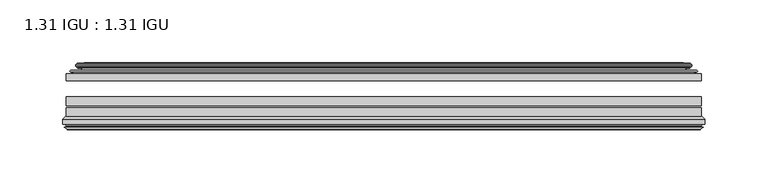
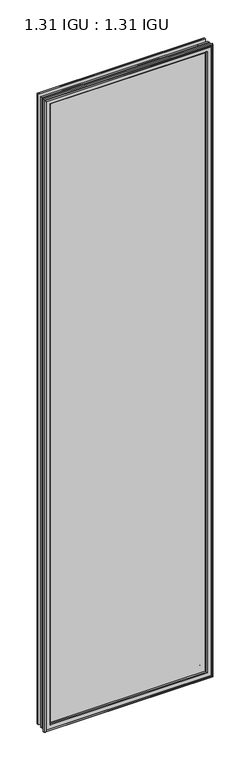
"""IFC4 building model written with IfcOpenShell, lengths in millimetres: plate geometry, 1.31 IGU : 1.31 IGU."""

from ifc_helpers import new_model, si_unit, frame, origin, place, context, project, spatial, polyline, ellipse_curve, outline, extrude, source, transform, mapped, element, save
from ifc_brep_helpers import plane_surface, cylinder_surface, revolved_surface, advanced_brep


def plate_1_31_igu_1_31_igu_3e09cf6b(model_context):
    return source(origin(), model_context, "Body", "SolidModel", [
        extrude(outline(polyline([(252.4081075, -44.8960875), (252.4081075, -50.4332875), (-252.4130426, -50.4332875), (-252.4130426, -44.8960875), (252.4081075, -44.8960875)])), frame((0.0, 0.0, -14.2875), z_axis=(0.0, 0.0, 1.0), x_axis=(1.0, 0.0, 0.0)), (0.0, 0.0, 1.0), 2009.67848),
        extrude(outline(polyline([(-252.4130426, -78.7796875), (-252.4130426, -71.7692875), (252.4081075, -71.7692875), (252.4081075, -78.7796875), (-252.4130426, -78.7796875)])), frame((0.0, 0.0, -14.2875), z_axis=(0.0, 0.0, 1.0), x_axis=(1.0, 0.0, 0.0)), (0.0, 0.0, 1.0), 2009.67848),
        extrude(outline(polyline([(-252.4130426, -70.2452875), (-252.4130426, -63.1332875), (252.4081075, -63.1332875), (252.4081075, -70.2452875), (-252.4130426, -70.2452875)])), frame((0.0, 0.0, -14.2875), z_axis=(0.0, 0.0, 1.0), x_axis=(1.0, 0.0, 0.0)), (0.0, 0.0, 1.0), 2009.67848),
        advanced_brep(
        [(-243.067718, -37.7373382, 1986.0456555), (-238.1260851, -36.3108875, 1981.1040226), (-238.1260851, -36.3108875, -0.0005426), (-243.067718, -37.7373382, -4.9421755), (-242.9026127, -36.9605789, 1985.8805502), (-242.9026127, -36.9605789, -4.7770702), (-243.4980984, -36.4771203, 1986.4760359), (-243.4980984, -36.4771203, -5.3725559), (-244.7627342, -37.766076, 1987.7406717), (-244.7627342, -37.766076, -6.6371917), (-244.7519175, -38.8797852, 1987.7298549), (-244.7519175, -38.8797852, -6.6263749), (-243.4704323, -40.1361433, 1986.4483697), (-243.4704323, -40.1361433, -5.3448897), (-242.8654254, -39.649943, 1985.8433629), (-242.8654254, -39.649943, -4.7398829), (-243.4194397, -39.0959287, 1986.3973772), (-243.4194397, -39.0959287, -5.2938972), (-241.1336313, -38.7029881, 1984.1115687), (-241.1336313, -38.7029881, -3.0080887), (-239.6745582, -40.2107282, 1982.6524957), (-239.6745582, -40.2107282, -1.5490157), (-239.9711401, -41.651269, 1982.9490776), (-239.9711401, -41.651269, -1.8455976), (-240.7423646, -42.2798875, 1983.7203021), (-240.7423646, -42.2798875, -2.6168221), (-249.0463409, -43.4871542, 1992.0242784), (-248.7711395, -42.2798875, 1991.7490769), (-248.7711395, -42.2798875, -10.6455969), (-249.0463409, -43.4871542, -10.9207984), (-245.5887723, -44.8960875, 1988.5667097), (-245.5887723, -44.8960875, -7.4632297), (-234.4911485, -44.023302, 1977.4690859), (-234.8464864, -44.8960875, 1977.8244239), (-234.8464864, -44.8960875, 3.2790561), (-234.4911485, -44.023302, 3.6343941), (-235.1623465, -43.3681812, 1978.140284), (-235.1623465, -43.3681812, 2.963196), (-236.8031371, -40.6686056, 1979.7810746), (-236.8031371, -40.6686056, 1.3224054), (238.1260851, -36.3108875, -0.0005426), (243.067718, -37.7373382, -4.9421755), (242.9026127, -36.9605789, -4.7770702), (243.4980984, -36.4771203, -5.3725559), (244.7627342, -37.766076, -6.6371917), (244.7519175, -38.8797852, -6.6263749), (243.4704323, -40.1361433, -5.3448897), (242.8654254, -39.649943, -4.7398829), (243.4194397, -39.0959287, -5.2938972), (241.1336313, -38.7029881, -3.0080887), (239.6745582, -40.2107282, -1.5490157), (239.9711401, -41.651269, -1.8455976), (240.7423646, -42.2798875, -2.6168221), (248.7711395, -42.2798875, -10.6455969), (249.0463409, -43.4871542, -10.9207984), (245.5887723, -44.8960875, -7.4632297), (234.8464864, -44.8960875, 3.2790561), (234.4911485, -44.023302, 3.6343941), (235.1623465, -43.3681812, 2.963196), (236.8031371, -40.6686056, 1.3224054), (238.1260851, -36.3108875, 1981.1040226), (243.067718, -37.7373382, 1986.0456555), (242.9026127, -36.9605789, 1985.8805502), (243.4980984, -36.4771203, 1986.4760359), (244.7627342, -37.766076, 1987.7406717), (244.7519175, -38.8797852, 1987.7298549), (243.4704323, -40.1361433, 1986.4483697), (242.8654254, -39.649943, 1985.8433629), (243.4194397, -39.0959287, 1986.3973772), (241.1336313, -38.7029881, 1984.1115687), (239.6745582, -40.2107282, 1982.6524957), (239.9711401, -41.651269, 1982.9490776), (240.7423646, -42.2798875, 1983.7203021), (248.7711395, -42.2798875, 1991.7490769), (249.0463409, -43.4871542, 1992.0242784), (245.5887723, -44.8960875, 1988.5667097), (234.8464864, -44.8960875, 1977.8244239), (234.4911485, -44.023302, 1977.4690859), (235.1623465, -43.3681812, 1978.140284), (236.8031371, -40.6686056, 1979.7810746)],
        [
            (0, 1),
            (1, 2),
            (2, 3),
            (3, 0),
            (4, 0),
            (3, 5),
            (5, 4),
            (6, 4, ellipse_curve(frame((-243.2231297, -36.746901, 1986.2010671), z_axis=(-0.7071067811865475, 0.0, -0.7071067811865475), x_axis=(-0.7071067811865474, 0.0, 0.7071067811865476)), 0.5447741, 0.3852135)),
            (5, 7, ellipse_curve(frame((-243.2231297, -36.746901, -5.0975871), z_axis=(-0.7071067811865475, 0.0, 0.7071067811865475), x_axis=(0.7071067811865474, 0.0, 0.7071067811865476)), 0.5447741, 0.3852135)),
            (7, 6),
            (8, 6),
            (7, 9),
            (9, 8),
            (10, 8, ellipse_curve(frame((-244.2006812, -38.3175243, 1987.1786187), z_axis=(-0.7071067811865475, 0.0, -0.7071067811865475), x_axis=(-0.7071067811865474, 0.0, 0.7071067811865476)), 1.1135518, 0.7874)),
            (9, 11, ellipse_curve(frame((-244.2006812, -38.3175243, -6.0751387), z_axis=(-0.7071067811865475, 0.0, 0.7071067811865475), x_axis=(0.7071067811865474, 0.0, 0.7071067811865476)), 1.1135518, 0.7874)),
            (11, 10),
            (12, 10),
            (11, 13),
            (13, 12),
            (14, 12, ellipse_curve(frame((-243.1968348, -39.8570738, 1986.1747722), z_axis=(-0.7071067811865475, 0.0, -0.7071067811865475), x_axis=(-0.7071067811865474, 0.0, 0.7071067811865476)), 0.552694, 0.3908137)),
            (13, 15, ellipse_curve(frame((-243.1968348, -39.8570738, -5.0712922), z_axis=(-0.7071067811865475, 0.0, 0.7071067811865475), x_axis=(0.7071067811865474, 0.0, 0.7071067811865476)), 0.552694, 0.3908137)),
            (15, 14),
            (16, 14),
            (15, 17),
            (17, 16),
            (18, 16),
            (17, 19),
            (19, 18),
            (20, 18, ellipse_curve(frame((-240.9184687, -39.954629, 1983.8964061), z_axis=(0.7071067811865475, 0.0, 0.7071067811865475), x_axis=(0.7071067811865474, 0.0, -0.7071067811865476)), 1.7960512, 1.27)),
            (19, 21, ellipse_curve(frame((-240.9184687, -39.954629, -2.7929261), z_axis=(0.7071067811865475, 0.0, -0.7071067811865475), x_axis=(-0.7071067811865474, 0.0, -0.7071067811865476)), 1.7960512, 1.27)),
            (21, 20),
            (22, 20),
            (21, 23),
            (23, 22),
            (24, 22, ellipse_curve(frame((-240.7423646, -41.4924875, 1983.7203021), z_axis=(0.7071067811865475, 0.0, 0.7071067811865475), x_axis=(0.7071067811865474, 0.0, -0.7071067811865476)), 1.1135518, 0.7874)),
            (23, 25, ellipse_curve(frame((-240.7423646, -41.4924875, -2.6168221), z_axis=(0.7071067811865475, 0.0, -0.7071067811865475), x_axis=(-0.7071067811865474, 0.0, -0.7071067811865476)), 1.1135518, 0.7874)),
            (25, 24),
            (26, 27, ellipse_curve(frame((-248.7711395, -42.9148875, 1991.7490769), z_axis=(-0.7071067811865475, 0.0, -0.7071067811865475), x_axis=(-0.7071067811865474, 0.0, 0.7071067811865476)), 0.8980256, 0.635)),
            (27, 28),
            (28, 29, ellipse_curve(frame((-248.7711395, -42.9148875, -10.6455969), z_axis=(-0.7071067811865475, 0.0, 0.7071067811865475), x_axis=(0.7071067811865474, 0.0, 0.7071067811865476)), 0.8980256, 0.635)),
            (29, 26),
            (30, 26),
            (29, 31),
            (31, 30),
            (32, 33, ellipse_curve(frame((-234.8464864, -44.3873602, 1977.8244239), z_axis=(-0.7071067811865475, 0.0, -0.7071067811865475), x_axis=(-0.7071067811865474, 0.0, 0.7071067811865476)), 0.719449, 0.5087273)),
            (33, 34),
            (34, 35, ellipse_curve(frame((-234.8464864, -44.3873602, 3.2790561), z_axis=(-0.7071067811865475, 0.0, 0.7071067811865475), x_axis=(0.7071067811865474, 0.0, 0.7071067811865476)), 0.719449, 0.5087273)),
            (35, 32),
            (36, 32),
            (35, 37),
            (37, 36),
            (38, 36, ellipse_curve(frame((-230.7269723, -38.823959, 1973.7049098), z_axis=(0.7071067811865475, 0.0, 0.7071067811865475), x_axis=(0.7071067811865474, 0.0, -0.7071067811865476)), 8.9802561, 6.35)),
            (37, 39, ellipse_curve(frame((-230.7269723, -38.823959, 7.3985702), z_axis=(0.7071067811865475, 0.0, -0.7071067811865475), x_axis=(-0.7071067811865474, 0.0, -0.7071067811865476)), 8.9802561, 6.35)),
            (39, 38),
            (1, 38),
            (39, 2),
            (2, 40),
            (40, 41),
            (41, 3),
            (41, 42),
            (42, 5),
            (42, 43, ellipse_curve(frame((243.2231297, -36.746901, -5.0975871), z_axis=(-0.7071067811865475, 0.0, -0.7071067811865475), x_axis=(-0.7071067811865476, 0.0, 0.7071067811865474)), 0.5447741, 0.3852135)),
            (43, 7),
            (43, 44),
            (44, 9),
            (44, 45, ellipse_curve(frame((244.2006812, -38.3175243, -6.0751387), z_axis=(-0.7071067811865475, 0.0, -0.7071067811865475), x_axis=(-0.7071067811865476, 0.0, 0.7071067811865474)), 1.1135518, 0.7874)),
            (45, 11),
            (45, 46),
            (46, 13),
            (46, 47, ellipse_curve(frame((243.1968348, -39.8570738, -5.0712922), z_axis=(-0.7071067811865475, 0.0, -0.7071067811865475), x_axis=(-0.7071067811865476, 0.0, 0.7071067811865474)), 0.552694, 0.3908137)),
            (47, 15),
            (47, 48),
            (48, 17),
            (48, 49),
            (49, 19),
            (49, 50, ellipse_curve(frame((240.9184687, -39.954629, -2.7929261), z_axis=(0.7071067811865475, 0.0, 0.7071067811865475), x_axis=(0.7071067811865476, 0.0, -0.7071067811865474)), 1.7960512, 1.27)),
            (50, 21),
            (50, 51),
            (51, 23),
            (51, 52, ellipse_curve(frame((240.7423646, -41.4924875, -2.6168221), z_axis=(0.7071067811865475, 0.0, 0.7071067811865475), x_axis=(0.7071067811865476, 0.0, -0.7071067811865474)), 1.1135518, 0.7874)),
            (52, 25),
            (28, 53),
            (53, 54, ellipse_curve(frame((248.7711395, -42.9148875, -10.6455969), z_axis=(-0.7071067811865475, 0.0, -0.7071067811865475), x_axis=(-0.7071067811865476, 0.0, 0.7071067811865474)), 0.8980256, 0.635)),
            (54, 29),
            (54, 55),
            (55, 31),
            (34, 56),
            (56, 57, ellipse_curve(frame((234.8464864, -44.3873602, 3.2790561), z_axis=(-0.7071067811865475, 0.0, -0.7071067811865475), x_axis=(-0.7071067811865476, 0.0, 0.7071067811865474)), 0.719449, 0.5087273)),
            (57, 35),
            (57, 58),
            (58, 37),
            (58, 59, ellipse_curve(frame((230.7269723, -38.823959, 7.3985702), z_axis=(0.7071067811865475, 0.0, 0.7071067811865475), x_axis=(0.7071067811865476, 0.0, -0.7071067811865474)), 8.9802561, 6.35)),
            (59, 39),
            (59, 40),
            (40, 60),
            (60, 61),
            (61, 41),
            (61, 62),
            (62, 42),
            (62, 63, ellipse_curve(frame((243.2231297, -36.746901, 1986.2010671), z_axis=(0.7071067811865475, 0.0, -0.7071067811865475), x_axis=(-0.7071067811865474, 0.0, -0.7071067811865476)), 0.5447741, 0.3852135)),
            (63, 43),
            (63, 64),
            (64, 44),
            (64, 65, ellipse_curve(frame((244.2006812, -38.3175243, 1987.1786187), z_axis=(0.7071067811865475, 0.0, -0.7071067811865475), x_axis=(-0.7071067811865474, 0.0, -0.7071067811865476)), 1.1135518, 0.7874)),
            (65, 45),
            (65, 66),
            (66, 46),
            (66, 67, ellipse_curve(frame((243.1968348, -39.8570738, 1986.1747722), z_axis=(0.7071067811865475, 0.0, -0.7071067811865475), x_axis=(-0.7071067811865474, 0.0, -0.7071067811865476)), 0.552694, 0.3908137)),
            (67, 47),
            (67, 68),
            (68, 48),
            (68, 69),
            (69, 49),
            (69, 70, ellipse_curve(frame((240.9184687, -39.954629, 1983.8964061), z_axis=(-0.7071067811865475, 0.0, 0.7071067811865475), x_axis=(0.7071067811865474, 0.0, 0.7071067811865476)), 1.7960512, 1.27)),
            (70, 50),
            (70, 71),
            (71, 51),
            (71, 72, ellipse_curve(frame((240.7423646, -41.4924875, 1983.7203021), z_axis=(-0.7071067811865475, 0.0, 0.7071067811865475), x_axis=(0.7071067811865474, 0.0, 0.7071067811865476)), 1.1135518, 0.7874)),
            (72, 52),
            (53, 73),
            (73, 74, ellipse_curve(frame((248.7711395, -42.9148875, 1991.7490769), z_axis=(0.7071067811865475, 0.0, -0.7071067811865475), x_axis=(-0.7071067811865474, 0.0, -0.7071067811865476)), 0.8980256, 0.635)),
            (74, 54),
            (74, 75),
            (75, 55),
            (56, 76),
            (76, 77, ellipse_curve(frame((234.8464864, -44.3873602, 1977.8244239), z_axis=(0.7071067811865475, 0.0, -0.7071067811865475), x_axis=(-0.7071067811865474, 0.0, -0.7071067811865476)), 0.719449, 0.5087273)),
            (77, 57),
            (77, 78),
            (78, 58),
            (78, 79, ellipse_curve(frame((230.7269723, -38.823959, 1973.7049098), z_axis=(-0.7071067811865475, 0.0, 0.7071067811865475), x_axis=(0.7071067811865474, 0.0, 0.7071067811865476)), 8.9802561, 6.35)),
            (79, 59),
            (79, 60),
            (60, 1),
            (0, 61),
            (4, 62),
            (6, 63),
            (8, 64),
            (10, 65),
            (12, 66),
            (14, 67),
            (16, 68),
            (18, 69),
            (20, 70),
            (22, 71),
            (24, 72),
            (27, 73),
            (26, 74),
            (30, 75),
            (33, 76),
            (32, 77),
            (36, 78),
            (38, 79),
        ],
        [
            plane_surface(frame((-238.1260851, -36.3108875, 1981.1040226), z_axis=(-0.27733649284928547, 0.9607728502273877, 0.0), x_axis=(0.0, 0.0, -1.0))),
            plane_surface(frame((-243.067718, -37.7373382, 1986.0456555), z_axis=(0.9781476007338358, -0.20791169081761768, 0.0), x_axis=(0.0, 0.0, -1.0))),
            cylinder_surface(frame((-243.2231297, -36.746901, 2012.85348), z_axis=(0.0, 0.0, 1.0), x_axis=(-1.0, 0.0, 0.0)), 0.3852135),
            plane_surface(frame((-243.4980984, -36.4771203, 1986.4760359), z_axis=(-0.7138087599382162, 0.7003406701280928, 0.0), x_axis=(0.0, 0.0, -1.0))),
            cylinder_surface(frame((-244.2006812, -38.3175243, 2012.85348), z_axis=(0.0, 0.0, 1.0), x_axis=(-1.0, 0.0, 0.0)), 0.7874),
            plane_surface(frame((-244.7519175, -38.8797852, 1987.7298549), z_axis=(-0.7000714109283732, -0.7140728391423082, 0.0), x_axis=(0.0, 0.0, -1.0))),
            cylinder_surface(frame((-243.1968348, -39.8570738, 2012.85348), z_axis=(0.0, 0.0, 1.0), x_axis=(-1.0, 0.0, 0.0)), 0.3908137),
            plane_surface(frame((-242.8654254, -39.649943, 1985.8433629), z_axis=(0.7071067811861125, 0.7071067811869827, 0.0), x_axis=(0.0, 0.0, -1.0))),
            plane_surface(frame((-243.4194397, -39.0959287, 1986.3973772), z_axis=(0.16941940671011485, -0.9855440449974789, 0.0), x_axis=(0.0, 0.0, -1.0))),
            revolved_surface(polyline([(-242.18846870000002, -39.954629, -4.062926082878221), (-242.18846870000002, -39.954629, 1985.1664060828782)]), (-240.9184687, -39.954629, 2012.85348), (0.0, 0.0, -1.0)),
            plane_surface(frame((-239.6745582, -40.2107282, 1982.6524957), z_axis=(-0.9794570432566897, 0.20165292067030197, 0.0), x_axis=(0.0, 0.0, -1.0))),
            revolved_surface(polyline([(-241.5297646, -41.4924875, -3.4042221289826102), (-241.5297646, -41.4924875, 1984.5077021289826)]), (-240.7423646, -41.4924875, 2012.85348), (0.0, 0.0, -1.0)),
            cylinder_surface(frame((-248.7711395, -42.9148875, 2012.85348), z_axis=(0.0, 0.0, 1.0), x_axis=(-1.0, 0.0, 0.0)), 0.635),
            plane_surface(frame((-249.0463409, -43.4871542, 1992.0242784), z_axis=(-0.3773644754275793, -0.9260648209954139, 0.0), x_axis=(0.0, 0.0, -1.0))),
            cylinder_surface(frame((-234.8464864, -44.3873602, 2012.85348), z_axis=(0.0, 0.0, 1.0), x_axis=(-1.0, 0.0, 0.0)), 0.5087273),
            plane_surface(frame((-234.4911485, -44.023302, 1977.4690859), z_axis=(0.698484125849927, 0.7156255486884628, 0.0), x_axis=(0.0, 0.0, -1.0))),
            revolved_surface(polyline([(-237.0769723, -38.823959, 1.0485702148980636), (-237.0769723, -38.823959, 1980.054909785102)]), (-230.7269723, -38.823959, 2012.85348), (0.0, 0.0, -1.0)),
            plane_surface(frame((-236.8031371, -40.6686056, 1979.7810746), z_axis=(0.9568763473517009, 0.2904955350411896, 0.0), x_axis=(0.0, 0.0, -1.0))),
            plane_surface(frame((-238.1260851, -36.3108875, -0.0005426), z_axis=(0.0, 0.9607728502273868, -0.2773364928492885), x_axis=(1.0, 0.0, 0.0))),
            plane_surface(frame((-243.067718, -37.7373382, -4.9421755), z_axis=(0.0, -0.20791169081761454, 0.9781476007338364), x_axis=(1.0, 0.0, 0.0))),
            cylinder_surface(frame((-269.8755426, -36.746901, -5.0975871), z_axis=(-1.0, 0.0, 0.0), x_axis=(0.0, 0.0, -1.0)), 0.3852135),
            plane_surface(frame((-243.4980984, -36.4771203, -5.3725559), z_axis=(0.0, 0.7003406701280904, -0.7138087599382185), x_axis=(1.0, 0.0, 0.0))),
            cylinder_surface(frame((-269.8755426, -38.3175243, -6.0751387), z_axis=(-1.0, 0.0, 0.0), x_axis=(0.0, 0.0, -1.0)), 0.7874),
            plane_surface(frame((-244.7519175, -38.8797852, -6.6263749), z_axis=(0.0, -0.7140728391423105, -0.7000714109283709), x_axis=(1.0, 0.0, 0.0))),
            cylinder_surface(frame((-269.8755426, -39.8570738, -5.0712922), z_axis=(-1.0, 0.0, 0.0), x_axis=(0.0, 0.0, -1.0)), 0.3908137),
            plane_surface(frame((-242.8654254, -39.649943, -4.7398829), z_axis=(0.0, 0.7071067811869849, 0.7071067811861103), x_axis=(1.0, 0.0, 0.0))),
            plane_surface(frame((-243.4194397, -39.0959287, -5.2938972), z_axis=(0.0, -0.9855440449974784, 0.16941940671011801), x_axis=(1.0, 0.0, 0.0))),
            revolved_surface(polyline([(242.18846868287824, -39.954629, -4.0629261), (-242.18846868287824, -39.954629, -4.0629261)]), (-269.8755426, -39.954629, -2.7929261), (1.0, 0.0, 0.0)),
            plane_surface(frame((-239.6745582, -40.2107282, -1.5490157), z_axis=(0.0, 0.20165292067029883, -0.9794570432566904), x_axis=(1.0, 0.0, 0.0))),
            revolved_surface(polyline([(241.52976462898243, -41.4924875, -3.4042220999999997), (-241.5297646289825, -41.4924875, -3.4042220999999997)]), (-269.8755426, -41.4924875, -2.6168221), (1.0, 0.0, 0.0)),
            cylinder_surface(frame((-269.8755426, -42.9148875, -10.6455969), z_axis=(-1.0, 0.0, 0.0), x_axis=(0.0, 0.0, -1.0)), 0.635),
            plane_surface(frame((-249.0463409, -43.4871542, -10.9207984), z_axis=(0.0, -0.9260648209954151, -0.37736447542757634), x_axis=(1.0, 0.0, 0.0))),
            cylinder_surface(frame((-269.8755426, -44.3873602, 3.2790561), z_axis=(-1.0, 0.0, 0.0), x_axis=(0.0, 0.0, -1.0)), 0.5087273),
            plane_surface(frame((-234.4911485, -44.023302, 3.6343941), z_axis=(0.0, 0.7156255486884651, 0.6984841258499247), x_axis=(1.0, 0.0, 0.0))),
            revolved_surface(polyline([(237.07697228510187, -38.823959, 1.0485702000000003), (-237.07697228510187, -38.823959, 1.0485702000000003)]), (-269.8755426, -38.823959, 7.3985702), (1.0, 0.0, 0.0)),
            plane_surface(frame((-236.8031371, -40.6686056, 1.3224054), z_axis=(0.0, 0.29049553504119263, 0.9568763473517), x_axis=(1.0, 0.0, 0.0))),
            plane_surface(frame((238.1260851, -36.3108875, -0.0005426), z_axis=(0.27733649284929157, 0.9607728502273859, 0.0), x_axis=(0.0, 0.0, 1.0))),
            plane_surface(frame((243.067718, -37.7373382, -4.9421755), z_axis=(-0.9781476007338371, -0.2079116908176114, 0.0), x_axis=(0.0, 0.0, 1.0))),
            cylinder_surface(frame((243.2231297, -36.746901, -31.75), z_axis=(0.0, 0.0, -1.0), x_axis=(1.0, 0.0, 0.0)), 0.3852135),
            plane_surface(frame((243.4980984, -36.4771203, -5.3725559), z_axis=(0.7138087599382208, 0.7003406701280882, 0.0), x_axis=(0.0, 0.0, 1.0))),
            cylinder_surface(frame((244.2006812, -38.3175243, -31.75), z_axis=(0.0, 0.0, -1.0), x_axis=(1.0, 0.0, 0.0)), 0.7874),
            plane_surface(frame((244.7519175, -38.8797852, -6.6263749), z_axis=(0.7000714109283687, -0.7140728391423128, 0.0), x_axis=(0.0, 0.0, 1.0))),
            cylinder_surface(frame((243.1968348, -39.8570738, -31.75), z_axis=(0.0, 0.0, -1.0), x_axis=(1.0, 0.0, 0.0)), 0.3908137),
            plane_surface(frame((242.8654254, -39.649943, -4.7398829), z_axis=(-0.707106781186108, 0.7071067811869871, 0.0), x_axis=(0.0, 0.0, 1.0))),
            plane_surface(frame((243.4194397, -39.0959287, -5.2938972), z_axis=(-0.16941940671012118, -0.9855440449974778, 0.0), x_axis=(0.0, 0.0, 1.0))),
            revolved_surface(polyline([(242.18846870000002, -39.954629, 1985.1664060828782), (242.18846870000002, -39.954629, -4.062926082878235)]), (240.9184687, -39.954629, -31.75), (0.0, 0.0, 1.0)),
            plane_surface(frame((239.6745582, -40.2107282, -1.5490157), z_axis=(0.979457043256691, 0.2016529206702957, 0.0), x_axis=(0.0, 0.0, 1.0))),
            revolved_surface(polyline([(241.5297646, -41.4924875, 1984.5077021289826), (241.5297646, -41.4924875, -3.404222128982486)]), (240.7423646, -41.4924875, -31.75), (0.0, 0.0, 1.0)),
            cylinder_surface(frame((248.7711395, -42.9148875, -31.75), z_axis=(0.0, 0.0, -1.0), x_axis=(1.0, 0.0, 0.0)), 0.635),
            plane_surface(frame((249.0463409, -43.4871542, -10.9207984), z_axis=(0.3773644754275734, -0.9260648209954163, 0.0), x_axis=(0.0, 0.0, 1.0))),
            cylinder_surface(frame((234.8464864, -44.3873602, -31.75), z_axis=(0.0, 0.0, -1.0), x_axis=(1.0, 0.0, 0.0)), 0.5087273),
            plane_surface(frame((234.4911485, -44.023302, 3.6343941), z_axis=(-0.6984841258499224, 0.7156255486884673, 0.0), x_axis=(0.0, 0.0, 1.0))),
            revolved_surface(polyline([(237.0769723, -38.823959, 1980.054909785102), (237.0769723, -38.823959, 1.0485702148981417)]), (230.7269723, -38.823959, -31.75), (0.0, 0.0, 1.0)),
            plane_surface(frame((236.8031371, -40.6686056, 1.3224054), z_axis=(-0.9568763473516991, 0.2904955350411957, 0.0), x_axis=(0.0, 0.0, 1.0))),
            plane_surface(frame((238.1260851, -36.3108875, 1981.1040226), z_axis=(0.0, 0.9607728502273868, 0.2773364928492885), x_axis=(-1.0, 0.0, 0.0))),
            plane_surface(frame((243.067718, -37.7373382, 1986.0456555), z_axis=(0.0, -0.20791169081761454, -0.9781476007338364), x_axis=(-1.0, 0.0, 0.0))),
            cylinder_surface(frame((269.8755426, -36.746901, 1986.2010671), z_axis=(1.0, 0.0, 0.0), x_axis=(0.0, 0.0, 1.0)), 0.3852135),
            plane_surface(frame((243.4980984, -36.4771203, 1986.4760359), z_axis=(0.0, 0.7003406701280904, 0.7138087599382185), x_axis=(-1.0, 0.0, 0.0))),
            cylinder_surface(frame((269.8755426, -38.3175243, 1987.1786187), z_axis=(1.0, 0.0, 0.0), x_axis=(0.0, 0.0, 1.0)), 0.7874),
            plane_surface(frame((244.7519175, -38.8797852, 1987.7298549), z_axis=(0.0, -0.7140728391423106, 0.700071410928371), x_axis=(-1.0, 0.0, 0.0))),
            cylinder_surface(frame((269.8755426, -39.8570738, 1986.1747722), z_axis=(1.0, 0.0, 0.0), x_axis=(0.0, 0.0, 1.0)), 0.3908137),
            plane_surface(frame((242.8654254, -39.649943, 1985.8433629), z_axis=(0.0, 0.7071067811869849, -0.7071067811861103), x_axis=(-1.0, 0.0, 0.0))),
            plane_surface(frame((243.4194397, -39.0959287, 1986.3973772), z_axis=(0.0, -0.9855440449974784, -0.16941940671011801), x_axis=(-1.0, 0.0, 0.0))),
            revolved_surface(polyline([(-242.18846868287824, -39.954629, 1985.1664061), (242.18846868287824, -39.954629, 1985.1664061)]), (269.8755426, -39.954629, 1983.8964061), (-1.0, 0.0, 0.0)),
            plane_surface(frame((239.6745582, -40.2107282, 1982.6524957), z_axis=(0.0, 0.20165292067029883, 0.9794570432566904), x_axis=(-1.0, 0.0, 0.0))),
            revolved_surface(polyline([(-241.52976462898243, -41.4924875, 1984.5077021), (241.5297646289825, -41.4924875, 1984.5077021)]), (269.8755426, -41.4924875, 1983.7203021), (-1.0, 0.0, 0.0)),
            plane_surface(frame((240.7423646, -42.2798875, 1983.7203021), z_axis=(0.0, 1.0, 0.0), x_axis=(-1.0, 0.0, 0.0))),
            cylinder_surface(frame((269.8755426, -42.9148875, 1991.7490769), z_axis=(1.0, 0.0, 0.0), x_axis=(0.0, 0.0, 1.0)), 0.635),
            plane_surface(frame((249.0463409, -43.4871542, 1992.0242784), z_axis=(0.0, -0.9260648209954151, 0.37736447542757634), x_axis=(-1.0, 0.0, 0.0))),
            plane_surface(frame((245.5887723, -44.8960875, 1988.5667097), z_axis=(0.0, -1.0, 0.0), x_axis=(-1.0, 0.0, 0.0))),
            cylinder_surface(frame((269.8755426, -44.3873602, 1977.8244239), z_axis=(1.0, 0.0, 0.0), x_axis=(0.0, 0.0, 1.0)), 0.5087273),
            plane_surface(frame((234.4911485, -44.023302, 1977.4690859), z_axis=(0.0, 0.7156255486884651, -0.6984841258499247), x_axis=(-1.0, 0.0, 0.0))),
            revolved_surface(polyline([(-237.07697228510187, -38.823959, 1980.0549098), (237.07697228510187, -38.823959, 1980.0549098)]), (269.8755426, -38.823959, 1973.7049098), (-1.0, 0.0, 0.0)),
            plane_surface(frame((236.8031371, -40.6686056, 1979.7810746), z_axis=(0.0, 0.29049553504119263, -0.9568763473517), x_axis=(-1.0, 0.0, 0.0))),
        ],
        [
            (0, [[1, 2, 3, 4]]),
            (1, [[5, -4, 6, 7]]),
            (2, [[8, -7, 9, 10]]),
            (3, [[11, -10, 12, 13]]),
            (4, [[14, -13, 15, 16]]),
            (5, [[17, -16, 18, 19]]),
            (6, [[20, -19, 21, 22]]),
            (7, [[23, -22, 24, 25]]),
            (8, [[26, -25, 27, 28]]),
            (9, [[29, -28, 30, 31]]),
            (10, [[32, -31, 33, 34]]),
            (11, [[35, -34, 36, 37]]),
            (12, [[38, 39, 40, 41]]),
            (13, [[42, -41, 43, 44]]),
            (14, [[45, 46, 47, 48]]),
            (15, [[49, -48, 50, 51]]),
            (16, [[52, -51, 53, 54]]),
            (17, [[55, -54, 56, -2]]),
            (18, [[-3, 57, 58, 59]]),
            (19, [[-6, -59, 60, 61]]),
            (20, [[-9, -61, 62, 63]]),
            (21, [[-12, -63, 64, 65]]),
            (22, [[-15, -65, 66, 67]]),
            (23, [[-18, -67, 68, 69]]),
            (24, [[-21, -69, 70, 71]]),
            (25, [[-24, -71, 72, 73]]),
            (26, [[-27, -73, 74, 75]]),
            (27, [[-30, -75, 76, 77]]),
            (28, [[-33, -77, 78, 79]]),
            (29, [[-36, -79, 80, 81]]),
            (30, [[-40, 82, 83, 84]]),
            (31, [[-43, -84, 85, 86]]),
            (32, [[-47, 87, 88, 89]]),
            (33, [[-50, -89, 90, 91]]),
            (34, [[-53, -91, 92, 93]]),
            (35, [[-56, -93, 94, -57]]),
            (36, [[-58, 95, 96, 97]]),
            (37, [[-60, -97, 98, 99]]),
            (38, [[-62, -99, 100, 101]]),
            (39, [[-64, -101, 102, 103]]),
            (40, [[-66, -103, 104, 105]]),
            (41, [[-68, -105, 106, 107]]),
            (42, [[-70, -107, 108, 109]]),
            (43, [[-72, -109, 110, 111]]),
            (44, [[-74, -111, 112, 113]]),
            (45, [[-76, -113, 114, 115]]),
            (46, [[-78, -115, 116, 117]]),
            (47, [[-80, -117, 118, 119]]),
            (48, [[-83, 120, 121, 122]]),
            (49, [[-85, -122, 123, 124]]),
            (50, [[-88, 125, 126, 127]]),
            (51, [[-90, -127, 128, 129]]),
            (52, [[-92, -129, 130, 131]]),
            (53, [[-94, -131, 132, -95]]),
            (54, [[-96, 133, -1, 134]]),
            (55, [[-98, -134, -5, 135]]),
            (56, [[-100, -135, -8, 136]]),
            (57, [[-102, -136, -11, 137]]),
            (58, [[-104, -137, -14, 138]]),
            (59, [[-106, -138, -17, 139]]),
            (60, [[-108, -139, -20, 140]]),
            (61, [[-110, -140, -23, 141]]),
            (62, [[-112, -141, -26, 142]]),
            (63, [[-114, -142, -29, 143]]),
            (64, [[-116, -143, -32, 144]]),
            (65, [[-118, -144, -35, 145]]),
            (66, [[146, -120, -82, -39], [-81, -119, -145, -37]]),
            (67, [[-121, -146, -38, 147]]),
            (68, [[-123, -147, -42, 148]]),
            (69, [[-86, -124, -148, -44], [149, -125, -87, -46]]),
            (70, [[-126, -149, -45, 150]]),
            (71, [[-128, -150, -49, 151]]),
            (72, [[-130, -151, -52, 152]]),
            (73, [[-132, -152, -55, -133]]),
        ],
    ),
        advanced_brep(
        [(-235.4379919, -83.3389875, 1978.4159294), (-237.2130581, -85.1296875, 1980.1909955), (-237.2130581, -85.1296875, 0.9124845), (-235.4379919, -83.3389875, 2.6875506), (-234.4147827, -78.7796875, 1977.3927201), (-234.4147827, -78.7796875, 3.7107599), (-254.9954917, -80.9740477, 1997.9734291), (-252.8011314, -78.7796875, 1995.7790689), (-252.8011314, -78.7796875, -14.6755889), (-254.9954917, -80.9740477, -16.8699491), (-254.9954917, -85.1296875, 1997.9734291), (-254.9954917, -85.1296875, -16.8699491), (-252.4704315, -86.3747112, 1995.4483689), (-253.2216585, -85.1296875, 1996.1995959), (-253.2216585, -85.1296875, -15.0961159), (-252.4704315, -86.3747112, -14.3448889), (-252.1609024, -87.6502863, 1995.1388398), (-252.1609024, -87.6502863, -14.0353598), (-253.1790158, -87.2076396, 1996.1569532), (-253.1790158, -87.2076396, -15.0534732), (-251.4920264, -88.8840626, 1994.4699638), (-253.9737258, -87.2076396, 1996.9516632), (-253.9737258, -87.2076396, -15.8481832), (-251.4920264, -88.8840626, -13.3664838), (-249.340201, -86.9401656, 1992.3181384), (-249.340201, -86.9401656, -11.2146584), (-251.0475552, -87.5528811, 1994.0254926), (-250.121774, -86.9401656, 1993.0997114), (-250.121774, -86.9401656, -11.9962314), (-251.0475552, -87.5528811, -12.9220126), (-250.9642298, -86.2429356, 1993.9421673), (-250.9642298, -86.2429356, -12.8386873), (-250.3659918, -85.1296875, 1993.3439292), (-250.3659918, -85.1296875, -12.2404492), (237.2130581, -85.1296875, 0.9124845), (235.4379919, -83.3389875, 2.6875506), (234.4147827, -78.7796875, 3.7107599), (252.8011314, -78.7796875, -14.6755889), (254.9954917, -80.9740477, -16.8699491), (254.9954917, -85.1296875, -16.8699491), (253.2216585, -85.1296875, -15.0961159), (252.4704315, -86.3747112, -14.3448889), (252.1609024, -87.6502863, -14.0353598), (253.1790158, -87.2076396, -15.0534732), (253.9737258, -87.2076396, -15.8481832), (251.4920264, -88.8840626, -13.3664838), (249.340201, -86.9401656, -11.2146584), (250.121774, -86.9401656, -11.9962314), (251.0475552, -87.5528811, -12.9220126), (250.9642298, -86.2429356, -12.8386873), (250.3659918, -85.1296875, -12.2404492), (237.2130581, -85.1296875, 1980.1909955), (235.4379919, -83.3389875, 1978.4159294), (234.4147827, -78.7796875, 1977.3927201), (252.8011314, -78.7796875, 1995.7790689), (254.9954917, -80.9740477, 1997.9734291), (254.9954917, -85.1296875, 1997.9734291), (253.2216585, -85.1296875, 1996.1995959), (252.4704315, -86.3747112, 1995.4483689), (252.1609024, -87.6502863, 1995.1388398), (253.1790158, -87.2076396, 1996.1569532), (253.9737258, -87.2076396, 1996.9516632), (251.4920264, -88.8840626, 1994.4699638), (249.340201, -86.9401656, 1992.3181384), (250.121774, -86.9401656, 1993.0997114), (251.0475552, -87.5528811, 1994.0254926), (250.9642298, -86.2429356, 1993.9421673), (250.3659918, -85.1296875, 1993.3439292)],
        [
            (0, 1, ellipse_curve(frame((-237.4644931, -83.1053133, 1980.4424305), z_axis=(-0.7071067811865475, 0.0, -0.7071067811865475), x_axis=(-0.7071067811865474, 0.0, 0.7071067811865476)), 2.8848953, 2.039929)),
            (1, 2),
            (2, 3, ellipse_curve(frame((-237.4644931, -83.1053133, 0.6610495), z_axis=(-0.7071067811865475, 0.0, 0.7071067811865475), x_axis=(0.7071067811865474, 0.0, 0.7071067811865476)), 2.8848953, 2.039929)),
            (3, 0),
            (4, 0),
            (3, 5),
            (5, 4),
            (6, 7),
            (7, 8),
            (8, 9),
            (9, 6),
            (10, 6),
            (9, 11),
            (11, 10),
            (12, 13),
            (13, 14),
            (14, 15),
            (15, 12),
            (16, 12),
            (15, 17),
            (17, 16),
            (18, 16),
            (17, 19),
            (19, 18),
            (20, 21),
            (21, 22),
            (22, 23),
            (23, 20),
            (24, 20),
            (23, 25),
            (25, 24),
            (26, 27),
            (27, 28),
            (28, 29),
            (29, 26),
            (30, 26),
            (29, 31),
            (31, 30),
            (32, 30),
            (31, 33),
            (33, 32),
            (2, 34),
            (34, 35, ellipse_curve(frame((237.4644931, -83.1053133, 0.6610495), z_axis=(-0.7071067811865475, 0.0, -0.7071067811865475), x_axis=(-0.7071067811865476, 0.0, 0.7071067811865474)), 2.8848953, 2.039929)),
            (35, 3),
            (35, 36),
            (36, 5),
            (8, 37),
            (37, 38),
            (38, 9),
            (38, 39),
            (39, 11),
            (14, 40),
            (40, 41),
            (41, 15),
            (41, 42),
            (42, 17),
            (42, 43),
            (43, 19),
            (22, 44),
            (44, 45),
            (45, 23),
            (45, 46),
            (46, 25),
            (28, 47),
            (47, 48),
            (48, 29),
            (48, 49),
            (49, 31),
            (49, 50),
            (50, 33),
            (34, 51),
            (51, 52, ellipse_curve(frame((237.4644931, -83.1053133, 1980.4424305), z_axis=(0.7071067811865475, 0.0, -0.7071067811865475), x_axis=(-0.7071067811865474, 0.0, -0.7071067811865476)), 2.8848953, 2.039929)),
            (52, 35),
            (52, 53),
            (53, 36),
            (37, 54),
            (54, 55),
            (55, 38),
            (55, 56),
            (56, 39),
            (40, 57),
            (57, 58),
            (58, 41),
            (58, 59),
            (59, 42),
            (59, 60),
            (60, 43),
            (44, 61),
            (61, 62),
            (62, 45),
            (62, 63),
            (63, 46),
            (47, 64),
            (64, 65),
            (65, 48),
            (65, 66),
            (66, 49),
            (66, 67),
            (67, 50),
            (51, 1),
            (0, 52),
            (4, 53),
            (7, 54),
            (6, 55),
            (10, 56),
            (13, 57),
            (12, 58),
            (16, 59),
            (18, 60),
            (21, 61),
            (20, 62),
            (24, 63),
            (27, 64),
            (26, 65),
            (30, 66),
            (32, 67),
        ],
        [
            cylinder_surface(frame((-237.4644931, -83.1053133, 2012.85348), z_axis=(0.0, 0.0, 1.0), x_axis=(-1.0, 0.0, 0.0)), 2.039929),
            plane_surface(frame((-235.4379919, -83.3389875, 1978.4159294), z_axis=(0.9757302952562701, -0.21897577701451845, 0.0), x_axis=(0.0, 0.0, -1.0))),
            plane_surface(frame((-252.8011314, -78.7796875, 1995.7790689), z_axis=(-0.7071067811871723, 0.7071067811859227, 0.0), x_axis=(0.0, 0.0, -1.0))),
            plane_surface(frame((-254.9954917, -80.9740477, 1997.9734291), z_axis=(-1.0, 0.0, 0.0), x_axis=(0.0, 0.0, -1.0))),
            plane_surface(frame((-253.2216585, -85.1296875, 1996.1995959), z_axis=(-0.8562121193263807, -0.516624434883434, 0.0), x_axis=(0.0, 0.0, -1.0))),
            plane_surface(frame((-252.4704315, -86.3747112, 1995.4483689), z_axis=(-0.9717979666139347, -0.23581499546259127, 0.0), x_axis=(0.0, 0.0, -1.0))),
            plane_surface(frame((-252.1609024, -87.6502863, 1995.1388398), z_axis=(0.3987175451776161, 0.9170737806564616, 0.0), x_axis=(0.0, 0.0, -1.0))),
            plane_surface(frame((-253.9737258, -87.2076396, 1996.9516632), z_axis=(-0.5597655002239059, -0.8286510633306884, 0.0), x_axis=(0.0, 0.0, -1.0))),
            plane_surface(frame((-251.4920264, -88.8840626, 1994.4699638), z_axis=(0.6703456526761111, -0.7420489916024673, 0.0), x_axis=(0.0, 0.0, -1.0))),
            plane_surface(frame((-250.121774, -86.9401656, 1993.0997114), z_axis=(-0.5519083205498945, 0.8339047941508642, 0.0), x_axis=(0.0, 0.0, -1.0))),
            plane_surface(frame((-251.0475552, -87.5528811, 1994.0254926), z_axis=(0.9979830161114805, -0.06348148984572209, 0.0), x_axis=(0.0, 0.0, -1.0))),
            plane_surface(frame((-250.9642298, -86.2429356, 1993.9421673), z_axis=(0.8808682216207324, -0.47336157019632297, 0.0), x_axis=(0.0, 0.0, -1.0))),
            cylinder_surface(frame((-269.8755426, -83.1053133, 0.6610495), z_axis=(-1.0, 0.0, 0.0), x_axis=(0.0, 0.0, -1.0)), 2.039929),
            plane_surface(frame((-235.4379919, -83.3389875, 2.6875506), z_axis=(0.0, -0.21897577701451534, 0.9757302952562708), x_axis=(1.0, 0.0, 0.0))),
            plane_surface(frame((-252.8011314, -78.7796875, -14.6755889), z_axis=(0.0, 0.7071067811859205, -0.7071067811871745), x_axis=(1.0, 0.0, 0.0))),
            plane_surface(frame((-254.9954917, -80.9740477, -16.8699491), z_axis=(0.0, 0.0, -1.0), x_axis=(1.0, 0.0, 0.0))),
            plane_surface(frame((-253.2216585, -85.1296875, -15.0961159), z_axis=(0.0, -0.5166244348834368, -0.8562121193263791), x_axis=(1.0, 0.0, 0.0))),
            plane_surface(frame((-252.4704315, -86.3747112, -14.3448889), z_axis=(0.0, -0.23581499546259438, -0.9717979666139339), x_axis=(1.0, 0.0, 0.0))),
            plane_surface(frame((-252.1609024, -87.6502863, -14.0353598), z_axis=(0.0, 0.9170737806564628, 0.39871754517761315), x_axis=(1.0, 0.0, 0.0))),
            plane_surface(frame((-253.9737258, -87.2076396, -15.8481832), z_axis=(0.0, -0.8286510633306902, -0.5597655002239033), x_axis=(1.0, 0.0, 0.0))),
            plane_surface(frame((-251.4920264, -88.8840626, -13.3664838), z_axis=(0.0, -0.7420489916024652, 0.6703456526761135), x_axis=(1.0, 0.0, 0.0))),
            plane_surface(frame((-250.121774, -86.9401656, -11.9962314), z_axis=(0.0, 0.8339047941508624, -0.5519083205498971), x_axis=(1.0, 0.0, 0.0))),
            plane_surface(frame((-251.0475552, -87.5528811, -12.9220126), z_axis=(0.0, -0.0634814898457189, 0.9979830161114808), x_axis=(1.0, 0.0, 0.0))),
            plane_surface(frame((-250.9642298, -86.2429356, -12.8386873), z_axis=(0.0, -0.47336157019632014, 0.880868221620734), x_axis=(1.0, 0.0, 0.0))),
            cylinder_surface(frame((237.4644931, -83.1053133, -31.75), z_axis=(0.0, 0.0, -1.0), x_axis=(1.0, 0.0, 0.0)), 2.039929),
            plane_surface(frame((235.4379919, -83.3389875, 2.6875506), z_axis=(-0.9757302952562714, -0.21897577701451224, 0.0), x_axis=(0.0, 0.0, 1.0))),
            plane_surface(frame((252.8011314, -78.7796875, -14.6755889), z_axis=(0.7071067811871767, 0.7071067811859183, 0.0), x_axis=(0.0, 0.0, 1.0))),
            plane_surface(frame((254.9954917, -80.9740477, -16.8699491), z_axis=(1.0, 0.0, 0.0), x_axis=(0.0, 0.0, 1.0))),
            plane_surface(frame((253.2216585, -85.1296875, -15.0961159), z_axis=(0.8562121193263774, -0.5166244348834396, 0.0), x_axis=(0.0, 0.0, 1.0))),
            plane_surface(frame((252.4704315, -86.3747112, -14.3448889), z_axis=(0.9717979666139333, -0.23581499546259752, 0.0), x_axis=(0.0, 0.0, 1.0))),
            plane_surface(frame((252.1609024, -87.6502863, -14.0353598), z_axis=(-0.3987175451776102, 0.917073780656464, 0.0), x_axis=(0.0, 0.0, 1.0))),
            plane_surface(frame((253.9737258, -87.2076396, -15.8481832), z_axis=(0.5597655002239006, -0.8286510633306919, 0.0), x_axis=(0.0, 0.0, 1.0))),
            plane_surface(frame((251.4920264, -88.8840626, -13.3664838), z_axis=(-0.6703456526761158, -0.7420489916024631, 0.0), x_axis=(0.0, 0.0, 1.0))),
            plane_surface(frame((250.121774, -86.9401656, -11.9962314), z_axis=(0.5519083205498998, 0.8339047941508606, 0.0), x_axis=(0.0, 0.0, 1.0))),
            plane_surface(frame((251.0475552, -87.5528811, -12.9220126), z_axis=(-0.997983016111481, -0.06348148984571571, 0.0), x_axis=(0.0, 0.0, 1.0))),
            plane_surface(frame((250.9642298, -86.2429356, -12.8386873), z_axis=(-0.8808682216207355, -0.4733615701963173, 0.0), x_axis=(0.0, 0.0, 1.0))),
            cylinder_surface(frame((269.8755426, -83.1053133, 1980.4424305), z_axis=(1.0, 0.0, 0.0), x_axis=(0.0, 0.0, 1.0)), 2.039929),
            plane_surface(frame((235.4379919, -83.3389875, 1978.4159294), z_axis=(0.0, -0.21897577701451534, -0.9757302952562708), x_axis=(-1.0, 0.0, 0.0))),
            plane_surface(frame((234.4147827, -78.7796875, 1977.3927201), z_axis=(0.0, 1.0, 0.0), x_axis=(-1.0, 0.0, 0.0))),
            plane_surface(frame((252.8011314, -78.7796875, 1995.7790689), z_axis=(0.0, 0.7071067811859205, 0.7071067811871745), x_axis=(-1.0, 0.0, 0.0))),
            plane_surface(frame((254.9954917, -80.9740477, 1997.9734291), z_axis=(0.0, 0.0, 1.0), x_axis=(-1.0, 0.0, 0.0))),
            plane_surface(frame((254.9954917, -85.1296875, 1997.9734291), z_axis=(0.0, -1.0, 0.0), x_axis=(-1.0, 0.0, 0.0))),
            plane_surface(frame((253.2216585, -85.1296875, 1996.1995959), z_axis=(0.0, -0.5166244348834368, 0.8562121193263791), x_axis=(-1.0, 0.0, 0.0))),
            plane_surface(frame((252.4704315, -86.3747112, 1995.4483689), z_axis=(0.0, -0.2358149954625944, 0.971797966613934), x_axis=(-1.0, 0.0, 0.0))),
            plane_surface(frame((252.1609024, -87.6502863, 1995.1388398), z_axis=(0.0, 0.9170737806564628, -0.39871754517761315), x_axis=(-1.0, 0.0, 0.0))),
            plane_surface(frame((253.1790158, -87.2076396, 1996.1569532), z_axis=(0.0, 1.0, 0.0), x_axis=(-1.0, 0.0, 0.0))),
            plane_surface(frame((253.9737258, -87.2076396, 1996.9516632), z_axis=(0.0, -0.8286510633306902, 0.5597655002239033), x_axis=(-1.0, 0.0, 0.0))),
            plane_surface(frame((251.4920264, -88.8840626, 1994.4699638), z_axis=(0.0, -0.7420489916024652, -0.6703456526761135), x_axis=(-1.0, 0.0, 0.0))),
            plane_surface(frame((249.340201, -86.9401656, 1992.3181384), z_axis=(0.0, 1.0, 0.0), x_axis=(-1.0, 0.0, 0.0))),
            plane_surface(frame((250.121774, -86.9401656, 1993.0997114), z_axis=(0.0, 0.8339047941508624, 0.5519083205498971), x_axis=(-1.0, 0.0, 0.0))),
            plane_surface(frame((251.0475552, -87.5528811, 1994.0254926), z_axis=(0.0, -0.0634814898457189, -0.9979830161114808), x_axis=(-1.0, 0.0, 0.0))),
            plane_surface(frame((250.9642298, -86.2429356, 1993.9421673), z_axis=(0.0, -0.47336157019632014, -0.880868221620734), x_axis=(-1.0, 0.0, 0.0))),
            plane_surface(frame((250.3659918, -85.1296875, 1993.3439292), z_axis=(0.0, -1.0, 0.0), x_axis=(-1.0, 0.0, 0.0))),
        ],
        [
            (0, [[1, 2, 3, 4]]),
            (1, [[5, -4, 6, 7]]),
            (2, [[8, 9, 10, 11]]),
            (3, [[12, -11, 13, 14]]),
            (4, [[15, 16, 17, 18]]),
            (5, [[19, -18, 20, 21]]),
            (6, [[22, -21, 23, 24]]),
            (7, [[25, 26, 27, 28]]),
            (8, [[29, -28, 30, 31]]),
            (9, [[32, 33, 34, 35]]),
            (10, [[36, -35, 37, 38]]),
            (11, [[39, -38, 40, 41]]),
            (12, [[-3, 42, 43, 44]]),
            (13, [[-6, -44, 45, 46]]),
            (14, [[-10, 47, 48, 49]]),
            (15, [[-13, -49, 50, 51]]),
            (16, [[-17, 52, 53, 54]]),
            (17, [[-20, -54, 55, 56]]),
            (18, [[-23, -56, 57, 58]]),
            (19, [[-27, 59, 60, 61]]),
            (20, [[-30, -61, 62, 63]]),
            (21, [[-34, 64, 65, 66]]),
            (22, [[-37, -66, 67, 68]]),
            (23, [[-40, -68, 69, 70]]),
            (24, [[-43, 71, 72, 73]]),
            (25, [[-45, -73, 74, 75]]),
            (26, [[-48, 76, 77, 78]]),
            (27, [[-50, -78, 79, 80]]),
            (28, [[-53, 81, 82, 83]]),
            (29, [[-55, -83, 84, 85]]),
            (30, [[-57, -85, 86, 87]]),
            (31, [[-60, 88, 89, 90]]),
            (32, [[-62, -90, 91, 92]]),
            (33, [[-65, 93, 94, 95]]),
            (34, [[-67, -95, 96, 97]]),
            (35, [[-69, -97, 98, 99]]),
            (36, [[-72, 100, -1, 101]]),
            (37, [[-74, -101, -5, 102]]),
            (38, [[103, -76, -47, -9], [-46, -75, -102, -7]]),
            (39, [[-77, -103, -8, 104]]),
            (40, [[-79, -104, -12, 105]]),
            (41, [[-51, -80, -105, -14], [106, -81, -52, -16]]),
            (42, [[-82, -106, -15, 107]]),
            (43, [[-84, -107, -19, 108]]),
            (44, [[-86, -108, -22, 109]]),
            (45, [[110, -88, -59, -26], [-58, -87, -109, -24]]),
            (46, [[-89, -110, -25, 111]]),
            (47, [[-91, -111, -29, 112]]),
            (48, [[113, -93, -64, -33], [-63, -92, -112, -31]]),
            (49, [[-94, -113, -32, 114]]),
            (50, [[-96, -114, -36, 115]]),
            (51, [[-98, -115, -39, 116]]),
            (52, [[-70, -99, -116, -41], [-100, -71, -42, -2]]),
        ],
    ),
    ])


if __name__ == "__main__":
    model = new_model("IFC4")
    model_context = context("Model", 3, world=origin())
    ifc_project = project(units=[si_unit("LENGTHUNIT", "METRE", prefix="MILLI")], contexts=[model_context])
    site = spatial("IfcSite", under=ifc_project)
    building = spatial("IfcBuilding", under=site)
    placement = place(None, origin())
    plate_1_31_igu_1_31_igu_shape = plate_1_31_igu_1_31_igu_3e09cf6b(model_context)
    element("IfcPlate", 1, ObjectType="1.31 IGU : 1.31 IGU", at=placement, inside=building, context=model_context, shape_type="MappedRepresentation", body=[
        mapped(plate_1_31_igu_1_31_igu_shape, transform((0.0, 0.0, 0.0), x_axis=(1.0, 0.0, 0.0), y_axis=(0.0, 1.0, 0.0), z_axis=(0.0, 0.0, 1.0))),
    ])
    save(model, "model.ifc")
